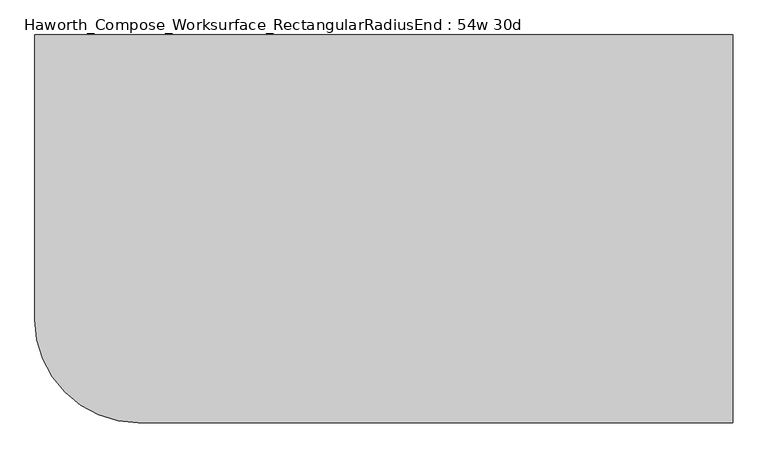
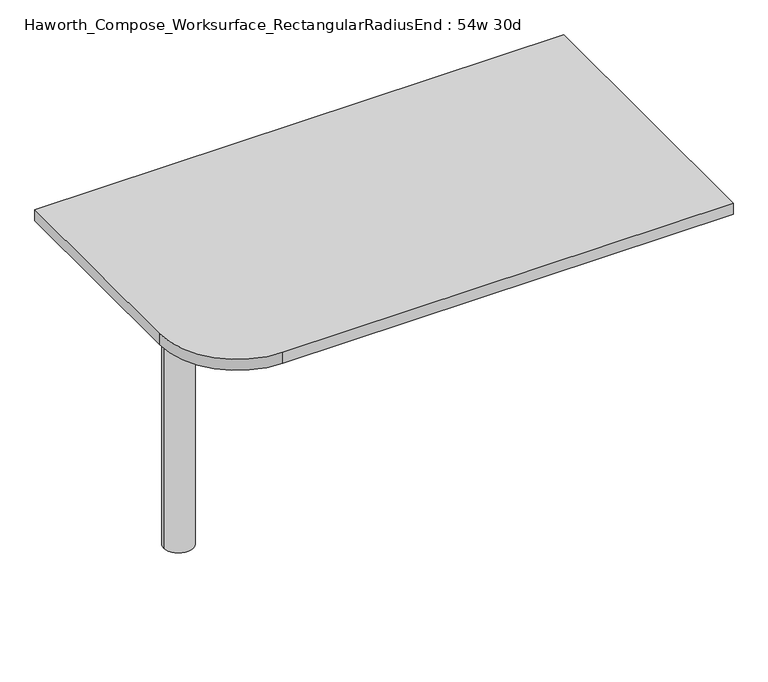
"""IFC4 building model written with IfcOpenShell, lengths in millimetres: furniture geometry, Haworth_Compose_Worksurface_RectangularRadiusEnd : 54w 30d."""

from ifc_helpers import new_model, si_unit, point, frame, frame_2d, origin, place, context, project, spatial, polyline, circle_curve, trimmed, segment, composite_curve, outline, extrude, source, transform, mapped, element, save
from ifc_brep_helpers import plane_surface, cylinder_surface, revolved_surface, advanced_brep


def haworth_compose_worksurface_rectangularradiusend_54w_30d_e3a8df3b(model_context):
    return source(origin(), model_context, "Body", "SolidModel", [
        advanced_brep(
        [(680.24375, 381.0, 475.45625), (680.24375, 365.125, 475.45625), (680.24375, -25.4, 691.7192568), (680.24375, -25.4, 704.05625), (680.24375, 365.125, 704.05625), (680.24375, 381.0, 704.05625), (680.24375, 297.690072, 665.95625), (680.24375, 254.0355284, 665.95625), (680.24375, 251.3564235, 656.3705539), (680.24375, 343.0776173, 605.5776439), (680.24375, 352.425, 611.1756969), (680.24375, 352.425, 634.6860246), (680.24375, 350.6730055, 637.5242776), (680.24375, 300.7663437, 665.1613425), (682.625, 381.0, 475.45625), (682.625, 381.0, 704.05625), (682.625, 365.125, 704.05625), (682.625, 365.125, 706.4375), (682.625, -25.4, 706.4375), (682.625, -25.4, 691.7192568), (682.625, 365.125, 475.45625), (682.625, 297.690072, 665.95625), (682.625, 300.7663437, 665.1613425), (682.625, 350.6730055, 637.5242776), (682.625, 352.425, 634.6860246), (682.625, 352.425, 611.1756969), (682.625, 343.0776173, 605.5776439), (682.625, 251.3564235, 656.3705539), (682.625, 254.0355284, 665.95625), (641.35, -25.4, 706.4375), (641.35, -25.4, 704.05625), (641.35, 365.125, 704.05625), (641.35, 365.125, 706.4375)],
        [
            (0, 1),
            (1, 2),
            (2, 3),
            (3, 4),
            (4, 5),
            (5, 0),
            (6, 7),
            (7, 8, circle_curve(frame((680.24375, 254.0355284, 660.7890106), z_axis=(1.0, 0.0, 0.0), x_axis=(0.0, -1.0, 0.0)), 5.1672394)),
            (8, 9),
            (9, 10, circle_curve(frame((680.24375, 346.075, 611.1756969), z_axis=(1.0, 0.0, 0.0), x_axis=(0.0, -1.0, 0.0)), 6.35)),
            (10, 11),
            (11, 12, circle_curve(frame((680.24375, 349.25, 634.6860246), z_axis=(1.0, 0.0, 0.0), x_axis=(0.0, -1.0, 0.0)), 3.175)),
            (12, 13),
            (13, 6, circle_curve(frame((680.24375, 297.690072, 659.60625), z_axis=(1.0, 0.0, 0.0), x_axis=(0.0, -1.0, 0.0)), 6.35)),
            (14, 15),
            (15, 16),
            (16, 17),
            (17, 18),
            (18, 19),
            (19, 20),
            (20, 14),
            (21, 22, circle_curve(frame((682.625, 297.690072, 659.60625), z_axis=(-1.0, 0.0, 0.0), x_axis=(0.0, -1.0, 0.0)), 6.35)),
            (22, 23),
            (23, 24, circle_curve(frame((682.625, 349.25, 634.6860246), z_axis=(-1.0, 0.0, 0.0), x_axis=(0.0, -1.0, 0.0)), 3.175)),
            (24, 25),
            (25, 26, circle_curve(frame((682.625, 346.075, 611.1756969), z_axis=(-1.0, 0.0, 0.0), x_axis=(0.0, -1.0, 0.0)), 6.35)),
            (26, 27),
            (27, 28, circle_curve(frame((682.625, 254.0355284, 660.7890106), z_axis=(-1.0, 0.0, 0.0), x_axis=(0.0, -1.0, 0.0)), 5.1672394)),
            (28, 21),
            (4, 16),
            (15, 5),
            (14, 0),
            (20, 1),
            (19, 2),
            (18, 29),
            (29, 30),
            (30, 3),
            (6, 21),
            (28, 7),
            (9, 26),
            (25, 10),
            (24, 11),
            (23, 12),
            (27, 8),
            (31, 4),
            (30, 31),
            (32, 29),
            (17, 32),
            (31, 32),
            (22, 13),
        ],
        [
            plane_surface(frame((680.24375, 381.0, 475.45625), z_axis=(-1.0, 0.0, 0.0), x_axis=(0.0, 1.0, 0.0))),
            plane_surface(frame((682.625, 381.0, 475.45625), z_axis=(1.0, 0.0, 0.0), x_axis=(0.0, -1.0, 0.0))),
            plane_surface(frame((682.625, -25.4, 704.05625), z_axis=(0.0, 0.0, 1.0), x_axis=(-1.0, 0.0, 0.0))),
            plane_surface(frame((682.625, 381.0, 704.05625), z_axis=(0.0, 1.0, 0.0), x_axis=(-1.0, 0.0, 0.0))),
            plane_surface(frame((682.625, 381.0, 475.45625), z_axis=(0.0, 0.0, -1.0), x_axis=(-1.0, 0.0, 0.0))),
            plane_surface(frame((682.625, 365.125, 475.45625), z_axis=(0.0, -0.48445223513455843, -0.8748177135112952), x_axis=(-1.0, 0.0, 0.0))),
            plane_surface(frame((682.625, -25.4, 691.7192568), z_axis=(0.0, -1.0, 0.0), x_axis=(-1.0, 0.0, 0.0))),
            plane_surface(frame((682.625, 297.690072, 665.95625), z_axis=(0.0, 0.0, -1.0), x_axis=(-1.0, 0.0, 0.0))),
            revolved_surface(polyline([(680.24375, 339.72499999999997, 611.1756969), (682.625, 339.72499999999997, 611.1756969)]), (682.625, 346.075, 611.1756969), (-1.0, 0.0, 0.0)),
            plane_surface(frame((682.625, 352.425, 611.1756969), z_axis=(0.0, -1.0, 0.0), x_axis=(-1.0, 0.0, 0.0))),
            revolved_surface(polyline([(680.24375, 346.075, 634.6860246), (682.625, 346.075, 634.6860246)]), (682.625, 349.25, 634.6860246), (-1.0, 0.0, 0.0)),
            revolved_surface(polyline([(680.24375, 248.868289, 660.7890106), (682.625, 248.868289, 660.7890106)]), (682.625, 254.0355284, 660.7890106), (-1.0, 0.0, 0.0)),
            plane_surface(frame((682.625, 365.125, 704.05625), z_axis=(0.0, 0.0, -1.0), x_axis=(-1.0, 0.0, 0.0))),
            plane_surface(frame((682.625, 365.125, 706.4375), z_axis=(0.0, 0.0, 1.0), x_axis=(1.0, 0.0, 0.0))),
            plane_surface(frame((641.35, 365.125, 706.4375), z_axis=(0.0, 1.0, 0.0), x_axis=(0.0, 0.0, -1.0))),
            plane_surface(frame((641.35, -25.4, 706.4375), z_axis=(-1.0, 0.0, 0.0), x_axis=(0.0, 0.0, -1.0))),
            plane_surface(frame((682.625, 251.3564235, 656.3705539), z_axis=(0.0, 0.4844522351345583, 0.8748177135112953), x_axis=(-1.0, 0.0, 0.0))),
            plane_surface(frame((682.625, 350.6730055, 637.5242776), z_axis=(0.0, -0.4844522351345582, -0.8748177135112953), x_axis=(-1.0, 0.0, 0.0))),
            revolved_surface(polyline([(680.24375, 291.34007199999996, 659.60625), (682.625, 291.34007199999996, 659.60625)]), (682.625, 297.690072, 659.60625), (-1.0, 0.0, 0.0)),
        ],
        [
            (0, [[1, 2, 3, 4, 5, 6], [7, 8, 9, 10, 11, 12, 13, 14]]),
            (1, [[15, 16, 17, 18, 19, 20, 21], [22, 23, 24, 25, 26, 27, 28, 29]]),
            (2, [[-5, 30, -16, 31]]),
            (3, [[-31, -15, 32, -6]]),
            (4, [[-32, -21, 33, -1]]),
            (5, [[-33, -20, 34, -2]]),
            (6, [[-34, -19, 35, 36, 37, -3]]),
            (7, [[38, -29, 39, -7]]),
            (8, [[40, -26, 41, -10]]),
            (9, [[-41, -25, 42, -11]]),
            (10, [[-42, -24, 43, -12]]),
            (11, [[-39, -28, 44, -8]]),
            (12, [[45, -4, -37, 46]]),
            (13, [[47, -35, -18, 48]]),
            (14, [[-17, -30, -45, 49, -48]]),
            (15, [[-36, -47, -49, -46]]),
            (16, [[-44, -27, -40, -9]]),
            (17, [[-43, -23, 50, -13]]),
            (18, [[-50, -22, -38, -14]]),
        ],
    ),
        advanced_brep(
        [(-495.3, 0.0, 706.4375), (-571.5, 0.0, 706.4375), (-533.4, 0.0, 706.4375), (-495.3, 0.0, 0.0), (-571.5, 0.0, 0.0), (-533.4, 0.0, 0.0)],
        [
            (0, 1, circle_curve(frame((-533.4, 0.0, 706.4375), z_axis=(0.0, 0.0, 1.0), x_axis=(-1.0, 0.0, 0.0)), 38.1)),
            (1, 2),
            (2, 0),
            (1, 0, circle_curve(frame((-533.4, 0.0, 706.4375), z_axis=(0.0, 0.0, 1.0), x_axis=(-1.0, 0.0, 0.0)), 38.1)),
            (3, 4, circle_curve(frame((-533.4, 0.0, 0.0), z_axis=(0.0, 0.0, 1.0), x_axis=(-1.0, 0.0, 0.0)), 38.1)),
            (4, 1),
            (0, 3),
            (4, 3, circle_curve(frame((-533.4, 0.0, 0.0), z_axis=(0.0, 0.0, 1.0), x_axis=(-1.0, 0.0, 0.0)), 38.1)),
            (5, 4),
            (3, 5),
        ],
        [
            plane_surface(frame((-533.4, 0.0, 706.4375), z_axis=(0.0, 0.0, 1.0), x_axis=(-1.0, 0.0, 0.0))),
            cylinder_surface(frame((-533.4, 0.0, 889.623257), z_axis=(0.0, 0.0, -1.0), x_axis=(-1.0, 0.0, 0.0)), 38.1),
            plane_surface(frame((-533.4, 0.0, 0.0), z_axis=(0.0, 0.0, -1.0), x_axis=(-1.0, 0.0, 0.0))),
        ],
        [
            (0, [[1, 2, 3]]),
            (0, [[4, -3, -2]]),
            (1, [[5, 6, -1, 7]]),
            (1, [[8, -7, -4, -6]]),
            (2, [[9, -5, 10]]),
            (2, [[-10, -8, -9]]),
        ],
    ),
        extrude(outline(composite_curve([segment(polyline([(685.8, 381.0), (685.8, -381.0), (-482.6, -381.0)]), True, "CONTINUOUS"), segment(trimmed(circle_curve(frame_2d((-482.6, -177.8)), 203.2), [point((-482.6, -381.0))], [point((-685.8, -177.8))], False, "CARTESIAN"), True, "CONTINUOUS"), segment(polyline([(-685.8, -177.8), (-685.8, 381.0), (685.8, 381.0)]), True, "CONTINUOUS")], self_intersect=False)), frame((0.0, 0.0, 706.4375), z_axis=(0.0, 0.0, 1.0), x_axis=(1.0, 0.0, 0.0)), (0.0, 0.0, 1.0), 30.1625),
    ])


if __name__ == "__main__":
    model = new_model("IFC4")
    model_context = context("Model", 3, world=origin())
    ifc_project = project(units=[si_unit("LENGTHUNIT", "METRE", prefix="MILLI")], contexts=[model_context])
    site = spatial("IfcSite", under=ifc_project)
    building = spatial("IfcBuilding", under=site)
    placement = place(None, origin())
    haworth_compose_worksurface_rectangularradiusend_54w_30d_shape = haworth_compose_worksurface_rectangularradiusend_54w_30d_e3a8df3b(model_context)
    element("IfcFurniture", 1, ObjectType="Haworth_Compose_Worksurface_RectangularRadiusEnd : 54w 30d", at=placement, inside=building, context=model_context, shape_type="MappedRepresentation", body=[
        mapped(haworth_compose_worksurface_rectangularradiusend_54w_30d_shape, transform((0.0, 0.0, 0.0), x_axis=(1.0, 0.0, 0.0), y_axis=(0.0, 1.0, 0.0), z_axis=(0.0, 0.0, 1.0))),
    ])
    save(model, "model.ifc")
